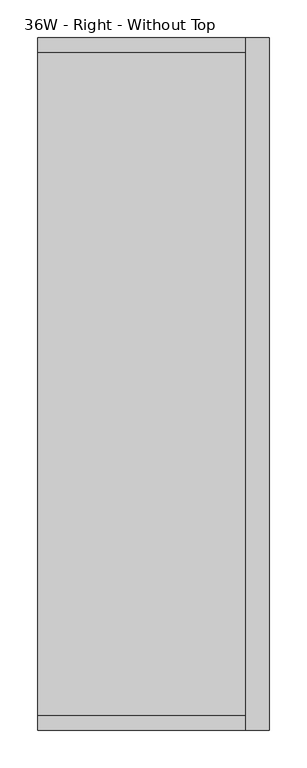
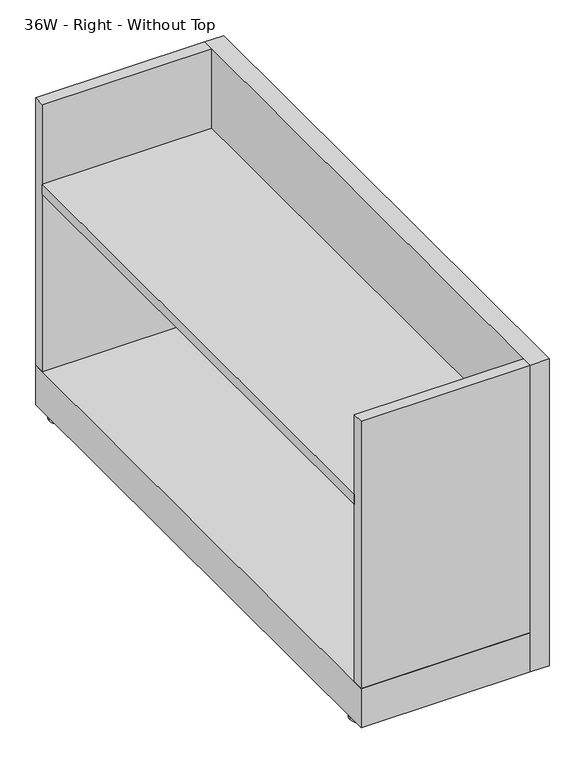
"""IFC4 building model written with IfcOpenShell, lengths in millimetres: furniture geometry, 36W - Right - Without Top."""

from ifc_helpers import new_model, si_unit, point, frame, frame_2d, origin, origin_with_axes, place, context, project, spatial, polyline, circle_curve, trimmed, segment, composite_curve, outline, extrude, source, transform, mapped, element, save


def furniture_36w_right_without_top_565bf471(model_context):
    return source(origin(), model_context, "Body", "SweptSolid", [
        extrude(outline(polyline([(4258.0841456, 17.1421639), (3983.6768331, 17.1421639), (3983.6768331, 893.5019518), (4258.0841456, 893.5019518), (4258.0841456, 17.1421639)])), frame((0.0, 0.0, 379.8896753), z_axis=(0.0, 0.0, 1.0), x_axis=(1.0, 0.0, 0.0)), (0.0, 0.0, 1.0), 16.9345247),
        extrude(outline(composite_curve([segment(trimmed(circle_curve(frame_2d((4003.8002051, 32.9967175)), 17.837339), [point((4021.6375441, 32.9967175))], [point((3985.9628661, 32.9967175))], False, "CARTESIAN"), True, "CONTINUOUS"), segment(trimmed(circle_curve(frame_2d((4003.8002051, 32.9967175)), 17.837339), [point((3985.9628661, 32.9967175))], [point((4021.6375441, 32.9967175))], False, "CARTESIAN"), True, "CONTINUOUS")], self_intersect=False)), origin_with_axes(), (0.0, 0.0, 1.0), 4.2238198),
        extrude(outline(composite_curve([segment(trimmed(circle_curve(frame_2d((4266.8886886, 32.9967175)), 17.78), [point((4284.6686886, 32.9967175))], [point((4249.1086886, 32.9967175))], False, "CARTESIAN"), True, "CONTINUOUS"), segment(trimmed(circle_curve(frame_2d((4266.8886886, 32.9967175)), 17.78), [point((4249.1086886, 32.9967175))], [point((4284.6686886, 32.9967175))], False, "CARTESIAN"), True, "CONTINUOUS")], self_intersect=False)), origin_with_axes(), (0.0, 0.0, 1.0), 4.2238198),
        extrude(outline(composite_curve([segment(trimmed(circle_curve(frame_2d((4003.8002051, 877.5541783)), 17.8169808), [point((4021.6171859, 877.5541783))], [point((3985.9832243, 877.5541783))], False, "CARTESIAN"), True, "CONTINUOUS"), segment(trimmed(circle_curve(frame_2d((4003.8002051, 877.5541783)), 17.8169808), [point((3985.9832243, 877.5541783))], [point((4021.6171859, 877.5541783))], False, "CARTESIAN"), True, "CONTINUOUS")], self_intersect=False)), origin_with_axes(), (0.0, 0.0, 1.0), 4.2238198),
        extrude(outline(composite_curve([segment(trimmed(circle_curve(frame_2d((4266.8886886, 877.5541783)), 17.8240807), [point((4284.7127694, 877.5541783))], [point((4249.0646079, 877.5541783))], False, "CARTESIAN"), True, "CONTINUOUS"), segment(trimmed(circle_curve(frame_2d((4266.8886886, 877.5541783)), 17.8240807), [point((4249.0646079, 877.5541783))], [point((4284.7127694, 877.5541783))], False, "CARTESIAN"), True, "CONTINUOUS")], self_intersect=False)), origin_with_axes(), (0.0, 0.0, 1.0), 4.2238198),
        extrude(outline(polyline([(4258.0841456, 912.4723958), (4289.0721456, 912.4723958), (4289.0721456, -1.9276042), (4258.0841456, -1.9276042), (4258.0841456, 912.4723958)])), frame((0.0, 0.0, 7.5889297), z_axis=(0.0, 0.0, 1.0), x_axis=(1.0, 0.0, 0.0)), (0.0, 0.0, 1.0), 525.8110703),
        extrude(outline(polyline([(4258.0841456, -1.9276042), (3983.6768331, -1.9276042), (3983.6768331, 912.4723958), (4258.0841456, 912.4723958), (4258.0841456, -1.9276042)])), frame((0.0, 0.0, 7.5889297), z_axis=(0.0, 0.0, 1.0), x_axis=(1.0, 0.0, 0.0)), (0.0, 0.0, 1.0), 67.4270526),
        extrude(outline(polyline([(3983.6768331, 893.5019518), (3983.6768331, 912.4723958), (4258.0841456, 912.4723958), (4258.0841456, 893.5019518), (3983.6768331, 893.5019518)])), frame((0.0, 0.0, 75.0159824), z_axis=(0.0, 0.0, 1.0), x_axis=(1.0, 0.0, 0.0)), (0.0, 0.0, 1.0), 458.3840176),
        extrude(outline(polyline([(3983.6768331, 17.1421639), (4258.0841456, 17.1421639), (4258.0841456, -1.9276042), (3983.6768331, -1.9276042), (3983.6768331, 17.1421639)])), frame((0.0, 0.0, 75.0159824), z_axis=(0.0, 0.0, 1.0), x_axis=(1.0, 0.0, 0.0)), (0.0, 0.0, 1.0), 458.3840176),
    ])


if __name__ == "__main__":
    model = new_model("IFC4")
    model_context = context("Model", 3, world=origin())
    ifc_project = project(units=[si_unit("LENGTHUNIT", "METRE", prefix="MILLI")], contexts=[model_context])
    site = spatial("IfcSite", under=ifc_project)
    building = spatial("IfcBuilding", under=site)
    placement = place(None, origin())
    furniture_36w_right_without_top_shape = furniture_36w_right_without_top_565bf471(model_context)
    element("IfcFurniture", 1, ObjectType="36W - Right - Without Top", at=placement, inside=building, context=model_context, shape_type="MappedRepresentation", body=[
        mapped(furniture_36w_right_without_top_shape, transform((0.0, 0.0, 0.0), x_axis=(1.0, 0.0, 0.0), y_axis=(0.0, 1.0, 0.0), z_axis=(0.0, 0.0, 1.0))),
    ])
    save(model, "model.ifc")
